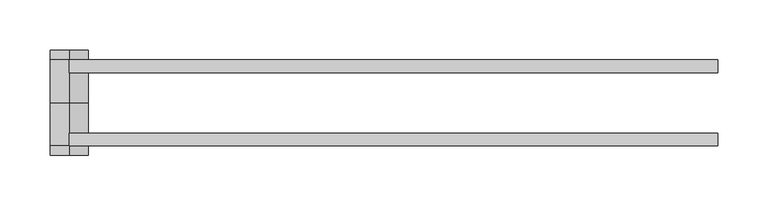
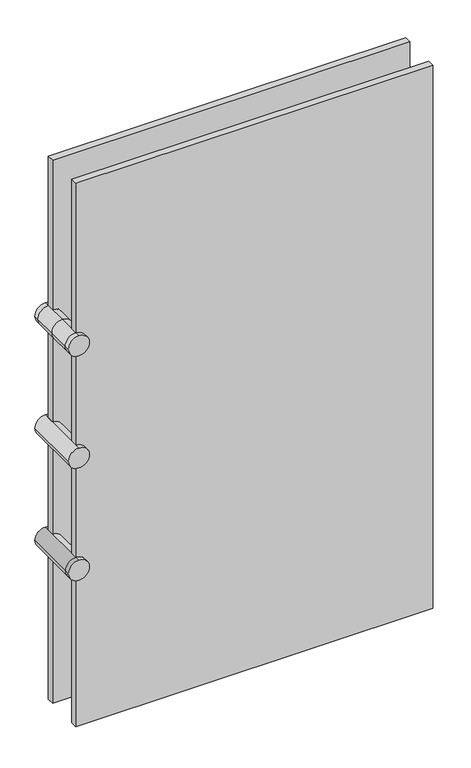
"""IFC4 building model written with IfcOpenShell, lengths in millimetres: plate geometry."""

from ifc_helpers import new_model, si_unit, point, frame, frame_2d, origin, origin_with_axes, place, context, project, spatial, polyline, circle_curve, trimmed, segment, composite_curve, outline, extrude, source, transform, mapped, element, save
from ifc_brep_helpers import plane_surface, cylinder_surface, advanced_brep


def plate_5cc408ac(model_context):
    return source(origin(), model_context, "Body", "SolidModel", [
        extrude(outline(polyline([(322.9430788, 42.8355237), (322.9430788, 30.1355237), (-322.9430788, 30.1355237), (-322.9430788, 42.8355237), (322.9430788, 42.8355237)])), origin_with_axes(), (0.0, 0.0, 1.0), 1038.5723151),
        extrude(outline(polyline([(322.9430788, -42.8111299), (-322.9430788, -42.8111299), (-322.9430788, -30.1111299), (322.9430788, -30.1111299), (322.9430788, -42.8111299)])), origin_with_axes(), (0.0, 0.0, 1.0), 1038.5723151),
        advanced_brep(
        [(-303.8930788, 52.3605237, 304.8), (-322.9430788, 52.3605237, 285.75), (-341.9930788, 52.3605237, 304.8), (-322.9430788, 52.3605237, 323.85), (-303.8930788, -52.3361299, 304.8), (-322.9430788, -52.3361299, 323.85), (-341.9930788, -52.3361299, 304.8), (-322.9430788, -52.3361299, 285.75), (-303.8930788, -42.8111299, 304.8), (-322.9430788, -42.8111299, 285.75), (-341.9930788, -42.8111299, 304.8), (-322.9430788, -42.8111299, 323.85)],
        [
            (0, 1, circle_curve(frame((-322.9430788, 52.3605237, 304.8), z_axis=(0.0, 1.0, 0.0), x_axis=(0.0, 0.0, 1.0)), 19.05)),
            (1, 2, circle_curve(frame((-322.9430788, 52.3605237, 304.8), z_axis=(0.0, 1.0, 0.0), x_axis=(0.0, 0.0, 1.0)), 19.05)),
            (2, 3, circle_curve(frame((-322.9430788, 52.3605237, 304.8), z_axis=(0.0, 1.0, 0.0), x_axis=(0.0, 0.0, 1.0)), 19.05)),
            (3, 0, circle_curve(frame((-322.9430788, 52.3605237, 304.8), z_axis=(0.0, 1.0, 0.0), x_axis=(0.0, 0.0, 1.0)), 19.05)),
            (4, 5, circle_curve(frame((-322.9430788, -52.3361299, 304.8), z_axis=(0.0, -1.0, 0.0), x_axis=(0.0, 0.0, 1.0)), 19.05)),
            (5, 6, circle_curve(frame((-322.9430788, -52.3361299, 304.8), z_axis=(0.0, -1.0, 0.0), x_axis=(0.0, 0.0, 1.0)), 19.05)),
            (6, 7, circle_curve(frame((-322.9430788, -52.3361299, 304.8), z_axis=(0.0, -1.0, 0.0), x_axis=(0.0, 0.0, 1.0)), 19.05)),
            (7, 4, circle_curve(frame((-322.9430788, -52.3361299, 304.8), z_axis=(0.0, -1.0, 0.0), x_axis=(0.0, 0.0, 1.0)), 19.05)),
            (0, 8),
            (8, 9, circle_curve(frame((-322.9430788, -42.8111299, 304.8), z_axis=(0.0, 1.0, 0.0), x_axis=(0.0, 0.0, 1.0)), 19.05)),
            (9, 1),
            (9, 10, circle_curve(frame((-322.9430788, -42.8111299, 304.8), z_axis=(0.0, 1.0, 0.0), x_axis=(0.0, 0.0, 1.0)), 19.05)),
            (10, 2),
            (10, 11, circle_curve(frame((-322.9430788, -42.8111299, 304.8), z_axis=(0.0, 1.0, 0.0), x_axis=(0.0, 0.0, 1.0)), 19.05)),
            (11, 3),
            (11, 8, circle_curve(frame((-322.9430788, -42.8111299, 304.8), z_axis=(0.0, 1.0, 0.0), x_axis=(0.0, 0.0, 1.0)), 19.05)),
            (8, 4),
            (7, 9),
            (6, 10),
            (5, 11),
        ],
        [
            plane_surface(frame((-322.9430788, 52.3605237, 509.3424206), z_axis=(0.0, 1.0, 0.0), x_axis=(-1.0, 0.0, 0.0))),
            plane_surface(frame((-322.9430788, -52.3361299, 509.3424206), z_axis=(0.0, -1.0, 0.0), x_axis=(-1.0, 0.0, 0.0))),
            cylinder_surface(frame((-322.9430788, 52.3605237, 304.8), z_axis=(0.0, 1.0, 0.0), x_axis=(0.0, 0.0, 1.0)), 19.05),
            cylinder_surface(frame((-322.9430788, -42.8111299, 304.8), z_axis=(0.0, 1.0, 0.0), x_axis=(0.0, 0.0, 1.0)), 19.05),
        ],
        [
            (0, [[1, 2, 3, 4]]),
            (1, [[5, 6, 7, 8]]),
            (2, [[-1, 9, 10, 11]]),
            (2, [[-2, -11, 12, 13]]),
            (2, [[-3, -13, 14, 15]]),
            (2, [[-4, -15, 16, -9]]),
            (3, [[-10, 17, -8, 18]]),
            (3, [[-12, -18, -7, 19]]),
            (3, [[-14, -19, -6, 20]]),
            (3, [[-16, -20, -5, -17]]),
        ],
    ),
        extrude(outline(composite_curve([segment(trimmed(circle_curve(frame_2d((519.2861575, -322.9430788)), 19.05), [point((538.3361575, -322.9430788))], [point((519.2861575, -341.9930788))], False, "CARTESIAN"), True, "CONTINUOUS"), segment(trimmed(circle_curve(frame_2d((519.2861575, -322.9430788)), 19.05), [point((519.2861575, -341.9930788))], [point((500.2361575, -322.9430788))], False, "CARTESIAN"), True, "CONTINUOUS"), segment(trimmed(circle_curve(frame_2d((519.2861575, -322.9430788)), 19.05), [point((500.2361575, -322.9430788))], [point((519.2861575, -303.8930788))], False, "CARTESIAN"), True, "CONTINUOUS"), segment(trimmed(circle_curve(frame_2d((519.2861575, -322.9430788)), 19.05), [point((519.2861575, -303.8930788))], [point((538.3361575, -322.9430788))], False, "CARTESIAN"), True, "CONTINUOUS")], self_intersect=False)), frame((0.0, -52.3361299, 0.0), z_axis=(0.0, 1.0, 0.0), x_axis=(0.0, 0.0, 1.0)), (0.0, 0.0, 1.0), 104.6966536),
        advanced_brep(
        [(-322.9430788, -52.3361299, 752.8223151), (-341.9930788, -52.3361299, 733.7723151), (-322.9430788, -52.3361299, 714.7223151), (-303.8930788, -52.3361299, 733.7723151), (-322.9430788, 52.3605237, 752.8223151), (-303.8930788, 52.3605237, 733.7723151), (-322.9430788, 52.3605237, 714.7223151), (-341.9930788, 52.3605237, 733.7723151), (-341.9930788, 0.0121969, 733.7723151), (-322.9430788, 0.0121969, 752.8223151), (-322.9430788, 42.8355237, 752.8223151), (-341.9930788, 42.8355237, 733.7723151), (-322.9430788, 0.0121969, 714.7223151), (-322.9430788, 42.8355237, 714.7223151), (-303.8930788, 0.0121969, 733.7723151), (-303.8930788, 42.8355237, 733.7723151), (-322.9430788, -42.8111299, 752.8223151), (-341.9930788, -42.8111299, 733.7723151), (-322.9430788, -42.8111299, 714.7223151), (-303.8930788, -42.8111299, 733.7723151)],
        [
            (0, 1, circle_curve(frame((-322.9430788, -52.3361299, 733.7723151), z_axis=(0.0, -1.0, 0.0), x_axis=(0.0, 0.0, -1.0)), 19.05)),
            (1, 2, circle_curve(frame((-322.9430788, -52.3361299, 733.7723151), z_axis=(0.0, -1.0, 0.0), x_axis=(0.0, 0.0, -1.0)), 19.05)),
            (2, 3, circle_curve(frame((-322.9430788, -52.3361299, 733.7723151), z_axis=(0.0, -1.0, 0.0), x_axis=(0.0, 0.0, -1.0)), 19.05)),
            (3, 0, circle_curve(frame((-322.9430788, -52.3361299, 733.7723151), z_axis=(0.0, -1.0, 0.0), x_axis=(0.0, 0.0, -1.0)), 19.05)),
            (4, 5, circle_curve(frame((-322.9430788, 52.3605237, 733.7723151), z_axis=(0.0, 1.0, 0.0), x_axis=(0.0, 0.0, -1.0)), 19.05)),
            (5, 6, circle_curve(frame((-322.9430788, 52.3605237, 733.7723151), z_axis=(0.0, 1.0, 0.0), x_axis=(0.0, 0.0, -1.0)), 19.05)),
            (6, 7, circle_curve(frame((-322.9430788, 52.3605237, 733.7723151), z_axis=(0.0, 1.0, 0.0), x_axis=(0.0, 0.0, -1.0)), 19.05)),
            (7, 4, circle_curve(frame((-322.9430788, 52.3605237, 733.7723151), z_axis=(0.0, 1.0, 0.0), x_axis=(0.0, 0.0, -1.0)), 19.05)),
            (8, 9, circle_curve(frame((-322.9430788, 0.0121969, 733.7723151), z_axis=(0.0, 1.0, 0.0), x_axis=(0.0, 0.0, -1.0)), 19.05)),
            (9, 10),
            (10, 11, circle_curve(frame((-322.9430788, 42.8355237, 733.7723151), z_axis=(0.0, -1.0, 0.0), x_axis=(0.0, 0.0, -1.0)), 19.05)),
            (11, 8),
            (12, 8, circle_curve(frame((-322.9430788, 0.0121969, 733.7723151), z_axis=(0.0, 1.0, 0.0), x_axis=(0.0, 0.0, -1.0)), 19.05)),
            (11, 13, circle_curve(frame((-322.9430788, 42.8355237, 733.7723151), z_axis=(0.0, -1.0, 0.0), x_axis=(0.0, 0.0, -1.0)), 19.05)),
            (13, 12),
            (14, 12, circle_curve(frame((-322.9430788, 0.0121969, 733.7723151), z_axis=(0.0, 1.0, 0.0), x_axis=(0.0, 0.0, -1.0)), 19.05)),
            (13, 15, circle_curve(frame((-322.9430788, 42.8355237, 733.7723151), z_axis=(0.0, -1.0, 0.0), x_axis=(0.0, 0.0, -1.0)), 19.05)),
            (15, 14),
            (9, 14, circle_curve(frame((-322.9430788, 0.0121969, 733.7723151), z_axis=(0.0, 1.0, 0.0), x_axis=(0.0, 0.0, -1.0)), 19.05)),
            (15, 10, circle_curve(frame((-322.9430788, 42.8355237, 733.7723151), z_axis=(0.0, -1.0, 0.0), x_axis=(0.0, 0.0, -1.0)), 19.05)),
            (10, 4),
            (7, 11),
            (6, 13),
            (5, 15),
            (0, 16),
            (16, 17, circle_curve(frame((-322.9430788, -42.8111299, 733.7723151), z_axis=(0.0, -1.0, 0.0), x_axis=(0.0, 0.0, -1.0)), 19.05)),
            (17, 1),
            (17, 18, circle_curve(frame((-322.9430788, -42.8111299, 733.7723151), z_axis=(0.0, -1.0, 0.0), x_axis=(0.0, 0.0, -1.0)), 19.05)),
            (18, 2),
            (18, 19, circle_curve(frame((-322.9430788, -42.8111299, 733.7723151), z_axis=(0.0, -1.0, 0.0), x_axis=(0.0, 0.0, -1.0)), 19.05)),
            (19, 3),
            (19, 16, circle_curve(frame((-322.9430788, -42.8111299, 733.7723151), z_axis=(0.0, -1.0, 0.0), x_axis=(0.0, 0.0, -1.0)), 19.05)),
            (16, 9),
            (8, 17),
            (12, 18),
            (14, 19),
        ],
        [
            plane_surface(frame((-322.9430788, -52.3361299, 733.7723151), z_axis=(0.0, -1.0, 0.0), x_axis=(-1.0, 0.0, 0.0))),
            plane_surface(frame((-322.9430788, 52.3605237, 733.7723151), z_axis=(0.0, 1.0, 0.0), x_axis=(-1.0, 0.0, 0.0))),
            cylinder_surface(frame((-322.9430788, 0.0121969, 733.7723151), z_axis=(0.0, -1.0, 0.0), x_axis=(0.0, 0.0, -1.0)), 19.05),
            cylinder_surface(frame((-322.9430788, 42.8355237, 733.7723151), z_axis=(0.0, -1.0, 0.0), x_axis=(0.0, 0.0, -1.0)), 19.05),
            cylinder_surface(frame((-322.9430788, -52.3361299, 733.7723151), z_axis=(0.0, -1.0, 0.0), x_axis=(0.0, 0.0, -1.0)), 19.05),
            cylinder_surface(frame((-322.9430788, -42.8111299, 733.7723151), z_axis=(0.0, -1.0, 0.0), x_axis=(0.0, 0.0, -1.0)), 19.05),
        ],
        [
            (0, [[1, 2, 3, 4]]),
            (1, [[5, 6, 7, 8]]),
            (2, [[9, 10, 11, 12]]),
            (2, [[13, -12, 14, 15]]),
            (2, [[16, -15, 17, 18]]),
            (2, [[19, -18, 20, -10]]),
            (3, [[-11, 21, -8, 22]]),
            (3, [[-14, -22, -7, 23]]),
            (3, [[-17, -23, -6, 24]]),
            (3, [[-20, -24, -5, -21]]),
            (4, [[-1, 25, 26, 27]]),
            (4, [[-2, -27, 28, 29]]),
            (4, [[-3, -29, 30, 31]]),
            (4, [[-4, -31, 32, -25]]),
            (5, [[-26, 33, -9, 34]]),
            (5, [[-28, -34, -13, 35]]),
            (5, [[-30, -35, -16, 36]]),
            (5, [[-32, -36, -19, -33]]),
        ],
    ),
    ])


if __name__ == "__main__":
    model = new_model("IFC4")
    model_context = context("Model", 3, world=origin())
    ifc_project = project(units=[si_unit("LENGTHUNIT", "METRE", prefix="MILLI")], contexts=[model_context])
    site = spatial("IfcSite", under=ifc_project)
    building = spatial("IfcBuilding", under=site)
    placement = place(None, origin())
    plate_shape = plate_5cc408ac(model_context)
    element("IfcPlate", 1, at=placement, inside=building, context=model_context, shape_type="MappedRepresentation", body=[
        mapped(plate_shape, transform((0.0, 0.0, 0.0), x_axis=(1.0, 0.0, 0.0), y_axis=(0.0, 1.0, 0.0), z_axis=(0.0, 0.0, 1.0))),
    ])
    save(model, "model.ifc")
